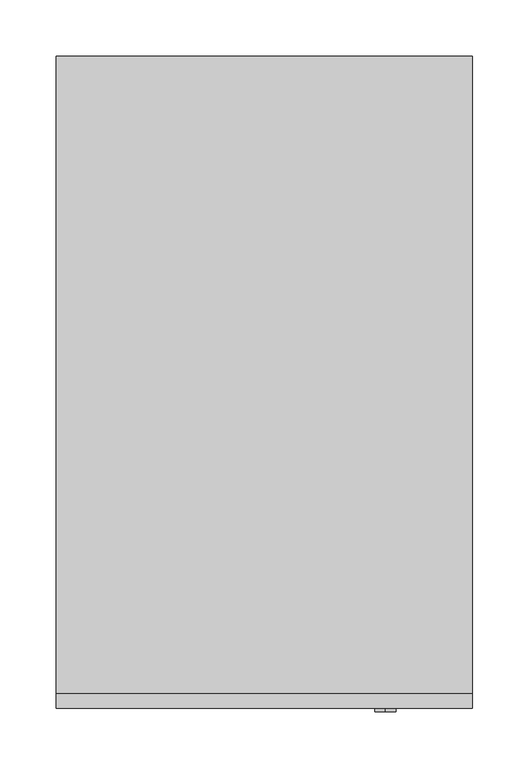
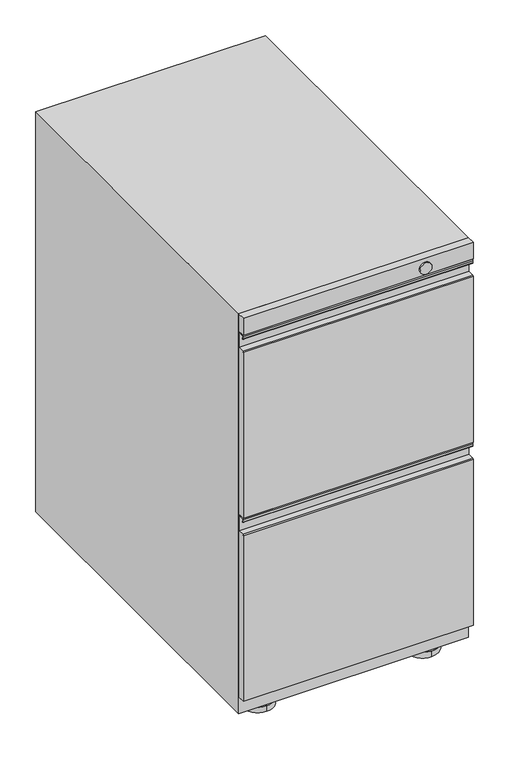
"""IFC4 building model written with IfcOpenShell, lengths in millimetres: furniture geometry."""

from ifc_helpers import new_model, si_unit, point, frame, frame_2d, origin, place, context, project, spatial, polyline, circle_curve, trimmed, segment, composite_curve, outline, extrude, source, transform, mapped, element, save
from ifc_brep_helpers import plane_surface, cylinder_surface, advanced_brep


def furniture_baf52285(model_context):
    return source(origin(), model_context, "Body", "SolidModel", [
        advanced_brep(
        [(133.35, 274.7009902, 9.525), (133.35, 223.9009932, 9.525), (133.35, 249.3009917, 9.525), (133.35, 274.7009902, 0.0), (133.35, 223.9009932, 0.0), (133.35, 249.3009917, 0.0)],
        [
            (0, 1, circle_curve(frame((133.35, 249.3009917, 9.525), z_axis=(0.0, 0.0, 1.0), x_axis=(0.0, -1.0, 0.0)), 25.3999985)),
            (1, 2),
            (2, 0),
            (1, 0, circle_curve(frame((133.35, 249.3009917, 9.525), z_axis=(0.0, 0.0, 1.0), x_axis=(0.0, -1.0, 0.0)), 25.3999985)),
            (3, 4, circle_curve(frame((133.35, 249.3009917, 0.0), z_axis=(0.0, 0.0, 1.0), x_axis=(0.0, -1.0, 0.0)), 25.3999985)),
            (4, 1),
            (0, 3),
            (4, 3, circle_curve(frame((133.35, 249.3009917, 0.0), z_axis=(0.0, 0.0, 1.0), x_axis=(0.0, -1.0, 0.0)), 25.3999985)),
            (5, 4),
            (3, 5),
        ],
        [
            plane_surface(frame((133.35, 249.3009917, 9.525), z_axis=(0.0, 0.0, 1.0), x_axis=(0.0, -1.0, 0.0))),
            cylinder_surface(frame((133.35, 249.3009917, 0.0), z_axis=(0.0, 0.0, -1.0), x_axis=(0.0, -1.0, 0.0)), 25.3999985),
            plane_surface(frame((133.35, 249.3009917, 0.0), z_axis=(0.0, 0.0, -1.0), x_axis=(0.0, -1.0, 0.0))),
        ],
        [
            (0, [[1, 2, 3]]),
            (0, [[4, -3, -2]]),
            (1, [[5, 6, -1, 7]]),
            (1, [[8, -7, -4, -6]]),
            (2, [[9, -5, 10]]),
            (2, [[-10, -8, -9]]),
        ],
    ),
        advanced_brep(
        [(133.35, -214.3760098, 9.525), (133.35, -265.1760068, 9.525), (133.35, -239.7760083, 9.525), (133.35, -214.3760098, 0.0), (133.35, -265.1760068, 0.0), (133.35, -239.7760083, 0.0)],
        [
            (0, 1, circle_curve(frame((133.35, -239.7760083, 9.525), z_axis=(0.0, 0.0, 1.0), x_axis=(0.0, -1.0, 0.0)), 25.3999985)),
            (1, 2),
            (2, 0),
            (1, 0, circle_curve(frame((133.35, -239.7760083, 9.525), z_axis=(0.0, 0.0, 1.0), x_axis=(0.0, -1.0, 0.0)), 25.3999985)),
            (3, 4, circle_curve(frame((133.35, -239.7760083, 0.0), z_axis=(0.0, 0.0, 1.0), x_axis=(0.0, -1.0, 0.0)), 25.3999985)),
            (4, 1),
            (0, 3),
            (4, 3, circle_curve(frame((133.35, -239.7760083, 0.0), z_axis=(0.0, 0.0, 1.0), x_axis=(0.0, -1.0, 0.0)), 25.3999985)),
            (5, 4),
            (3, 5),
        ],
        [
            plane_surface(frame((133.35, -239.7760083, 9.525), z_axis=(0.0, 0.0, 1.0), x_axis=(0.0, -1.0, 0.0))),
            cylinder_surface(frame((133.35, -239.7760083, 0.0), z_axis=(0.0, 0.0, -1.0), x_axis=(0.0, -1.0, 0.0)), 25.3999985),
            plane_surface(frame((133.35, -239.7760083, 0.0), z_axis=(0.0, 0.0, -1.0), x_axis=(0.0, -1.0, 0.0))),
        ],
        [
            (0, [[1, 2, 3]]),
            (0, [[4, -3, -2]]),
            (1, [[5, 6, -1, 7]]),
            (1, [[8, -7, -4, -6]]),
            (2, [[9, -5, 10]]),
            (2, [[-10, -8, -9]]),
        ],
    ),
        advanced_brep(
        [(-133.35, -214.3760098, 9.525), (-133.35, -265.1760068, 9.525), (-133.35, -239.7760083, 9.525), (-133.35, -214.3760098, 0.0), (-133.35, -265.1760068, 0.0), (-133.35, -239.7760083, 0.0)],
        [
            (0, 1, circle_curve(frame((-133.35, -239.7760083, 9.525), z_axis=(0.0, 0.0, 1.0), x_axis=(0.0, -1.0, 0.0)), 25.3999985)),
            (1, 2),
            (2, 0),
            (1, 0, circle_curve(frame((-133.35, -239.7760083, 9.525), z_axis=(0.0, 0.0, 1.0), x_axis=(0.0, -1.0, 0.0)), 25.3999985)),
            (3, 4, circle_curve(frame((-133.35, -239.7760083, 0.0), z_axis=(0.0, 0.0, 1.0), x_axis=(0.0, -1.0, 0.0)), 25.3999985)),
            (4, 1),
            (0, 3),
            (4, 3, circle_curve(frame((-133.35, -239.7760083, 0.0), z_axis=(0.0, 0.0, 1.0), x_axis=(0.0, -1.0, 0.0)), 25.3999985)),
            (5, 4),
            (3, 5),
        ],
        [
            plane_surface(frame((-133.35, -239.7760083, 9.525), z_axis=(0.0, 0.0, 1.0), x_axis=(0.0, -1.0, 0.0))),
            cylinder_surface(frame((-133.35, -239.7760083, 0.0), z_axis=(0.0, 0.0, -1.0), x_axis=(0.0, -1.0, 0.0)), 25.3999985),
            plane_surface(frame((-133.35, -239.7760083, 0.0), z_axis=(0.0, 0.0, -1.0), x_axis=(0.0, -1.0, 0.0))),
        ],
        [
            (0, [[1, 2, 3]]),
            (0, [[4, -3, -2]]),
            (1, [[5, 6, -1, 7]]),
            (1, [[8, -7, -4, -6]]),
            (2, [[9, -5, 10]]),
            (2, [[-10, -8, -9]]),
        ],
    ),
        advanced_brep(
        [(-133.35, 274.7009902, 9.525), (-133.35, 223.9009932, 9.525), (-133.35, 249.3009917, 9.525), (-133.35, 274.7009902, 0.0), (-133.35, 223.9009932, 0.0), (-133.35, 249.3009917, 0.0)],
        [
            (0, 1, circle_curve(frame((-133.35, 249.3009917, 9.525), z_axis=(0.0, 0.0, 1.0), x_axis=(0.0, -1.0, 0.0)), 25.3999985)),
            (1, 2),
            (2, 0),
            (1, 0, circle_curve(frame((-133.35, 249.3009917, 9.525), z_axis=(0.0, 0.0, 1.0), x_axis=(0.0, -1.0, 0.0)), 25.3999985)),
            (3, 4, circle_curve(frame((-133.35, 249.3009917, 0.0), z_axis=(0.0, 0.0, 1.0), x_axis=(0.0, -1.0, 0.0)), 25.3999985)),
            (4, 1),
            (0, 3),
            (4, 3, circle_curve(frame((-133.35, 249.3009917, 0.0), z_axis=(0.0, 0.0, 1.0), x_axis=(0.0, -1.0, 0.0)), 25.3999985)),
            (5, 4),
            (3, 5),
        ],
        [
            plane_surface(frame((-133.35, 249.3009917, 9.525), z_axis=(0.0, 0.0, 1.0), x_axis=(0.0, -1.0, 0.0))),
            cylinder_surface(frame((-133.35, 249.3009917, 0.0), z_axis=(0.0, 0.0, -1.0), x_axis=(0.0, -1.0, 0.0)), 25.3999985),
            plane_surface(frame((-133.35, 249.3009917, 0.0), z_axis=(0.0, 0.0, -1.0), x_axis=(0.0, -1.0, 0.0))),
        ],
        [
            (0, [[1, 2, 3]]),
            (0, [[4, -3, -2]]),
            (1, [[5, 6, -1, 7]]),
            (1, [[8, -7, -4, -6]]),
            (2, [[9, -5, 10]]),
            (2, [[-10, -8, -9]]),
        ],
    ),
        advanced_brep(
        [(185.7375, -289.4031699, 335.0696782), (185.7375, -290.5759758, 333.8968723), (185.7375, -290.576, 50.8), (185.7375, -277.8759516, 50.8), (185.7375, -277.8759516, 360.398449), (185.7375, -279.4275147, 361.9500121), (185.7375, -288.8084988, 361.9500121), (185.7375, -290.3593495, 360.3991614), (185.7375, -290.3593495, 356.7934196), (185.7375, -287.9801911, 356.9289975), (185.7375, -289.5978404, 356.8369029), (185.7375, -289.5980437, 360.4001681), (185.7375, -288.8106644, 361.1876201), (185.7375, -279.4253361, 361.1876201), (185.7375, -278.6370869, 360.3974066), (185.7375, -278.6370869, 335.0696782), (-185.7375, -289.4031699, 335.0696782), (-185.7375, -278.6370869, 335.0696782), (-185.7375, -278.6370869, 360.3974066), (-185.7375, -279.4253361, 361.1876201), (-185.7375, -288.8106644, 361.1876201), (-185.7375, -289.5980437, 360.4001681), (-185.7375, -289.5978404, 356.8369029), (-185.7375, -287.9801911, 356.9289975), (-185.7375, -290.3593495, 356.7934196), (-185.7375, -290.3593495, 360.3991614), (-185.7375, -288.8084988, 361.9500121), (-185.7375, -279.4275147, 361.9500121), (-185.7375, -277.8759516, 360.398449), (-185.7375, -277.8759516, 50.8), (-185.7375, -290.576, 50.8), (-185.7375, -290.576, 333.8968723)],
        [
            (0, 1, circle_curve(frame((185.7375, -289.4031699, 333.8968723), z_axis=(1.0, 0.0, 0.0), x_axis=(0.0, 1.0, 0.0)), 1.1728058)),
            (1, 2),
            (2, 3),
            (3, 4),
            (4, 5, circle_curve(frame((185.7375, -279.4275147, 360.398449), z_axis=(1.0, 0.0, 0.0), x_axis=(0.0, 1.0, 0.0)), 1.5515631)),
            (5, 6),
            (6, 7, circle_curve(frame((185.7375, -288.8084988, 360.3991614), z_axis=(1.0, 0.0, 0.0), x_axis=(0.0, 1.0, 0.0)), 1.5508507)),
            (7, 8),
            (8, 9, circle_curve(frame((185.7375, -289.1659073, 356.7934196), z_axis=(1.0, 0.0, 0.0), x_axis=(0.0, 1.0, 0.0)), 1.1934422)),
            (9, 10),
            (10, 11),
            (11, 12),
            (12, 13),
            (13, 14),
            (14, 15),
            (15, 0),
            (16, 17),
            (17, 18),
            (18, 19),
            (19, 20),
            (20, 21),
            (21, 22),
            (22, 23),
            (23, 24, circle_curve(frame((-185.7375, -289.1659073, 356.7934196), z_axis=(-1.0, 0.0, 0.0), x_axis=(0.0, 1.0, 0.0)), 1.1934422)),
            (24, 25),
            (25, 26, circle_curve(frame((-185.7375, -288.8084988, 360.3991614), z_axis=(-1.0, 0.0, 0.0), x_axis=(0.0, 1.0, 0.0)), 1.5508507)),
            (26, 27),
            (27, 28, circle_curve(frame((-185.7375, -279.4275147, 360.398449), z_axis=(-1.0, 0.0, 0.0), x_axis=(0.0, 1.0, 0.0)), 1.5515631)),
            (28, 29),
            (29, 30),
            (30, 31),
            (31, 16, circle_curve(frame((-185.7375, -289.4031699, 333.8968723), z_axis=(-1.0, 0.0, 0.0), x_axis=(0.0, 1.0, 0.0)), 1.1728058)),
            (0, 16),
            (31, 1),
            (30, 2),
            (29, 3),
            (28, 4),
            (27, 5),
            (26, 6),
            (25, 7),
            (24, 8),
            (23, 9),
            (22, 10),
            (21, 11),
            (20, 12),
            (19, 13),
            (18, 14),
            (17, 15),
        ],
        [
            plane_surface(frame((185.7375, -288.2303641, 333.8968723), z_axis=(1.0, 0.0, 0.0), x_axis=(0.0, 0.0, 1.0))),
            plane_surface(frame((-185.7375, -288.2303641, 333.8968723), z_axis=(-1.0, 0.0, 0.0), x_axis=(0.0, 0.0, -1.0))),
            cylinder_surface(frame((-185.7375, -289.4031699, 333.8968723), z_axis=(1.0, 0.0, 0.0), x_axis=(0.0, 1.0, 0.0)), 1.1728058),
            plane_surface(frame((185.7375, -290.576, 333.8968723), z_axis=(0.0, -1.0, 0.0), x_axis=(-1.0, 0.0, 0.0))),
            plane_surface(frame((185.7375, -290.576, 50.8), z_axis=(0.0, 0.0, -1.0), x_axis=(-1.0, 0.0, 0.0))),
            plane_surface(frame((185.7375, -277.8759516, 50.8), z_axis=(0.0, 1.0, 0.0), x_axis=(-1.0, 0.0, 0.0))),
            cylinder_surface(frame((-185.7375, -279.4275147, 360.398449), z_axis=(1.0, 0.0, 0.0), x_axis=(0.0, 1.0, 0.0)), 1.5515631),
            plane_surface(frame((185.7375, -279.4275147, 361.9500121), z_axis=(0.0, 0.0, 1.0), x_axis=(-1.0, 0.0, 0.0))),
            cylinder_surface(frame((-185.7375, -288.8084988, 360.3991614), z_axis=(1.0, 0.0, 0.0), x_axis=(0.0, 1.0, 0.0)), 1.5508507),
            plane_surface(frame((185.7375, -290.3593495, 360.3991614), z_axis=(0.0, -1.0, 0.0), x_axis=(-1.0, 0.0, 0.0))),
            cylinder_surface(frame((-185.7375, -289.1659073, 356.7934196), z_axis=(1.0, 0.0, 0.0), x_axis=(0.0, 1.0, 0.0)), 1.1934422),
            plane_surface(frame((185.7375, -287.9801911, 356.9289975), z_axis=(0.0, -0.05683911841533976, 0.9983833505311309), x_axis=(-1.0, 0.0, 0.0))),
            plane_surface(frame((185.7375, -289.5978404, 356.8369029), z_axis=(0.0, 0.99999999837299, 5.704401746832339e-05), x_axis=(-1.0, 0.0, 0.0))),
            plane_surface(frame((185.7375, -289.5980437, 360.4001681), z_axis=(0.0, 0.7071394096054413, -0.707074151261993), x_axis=(-1.0, 0.0, 0.0))),
            plane_surface(frame((185.7375, -288.8106644, 361.1876201), z_axis=(0.0, 0.0, -1.0), x_axis=(-1.0, 0.0, 0.0))),
            plane_surface(frame((185.7375, -279.4253361, 361.1876201), z_axis=(0.0, -0.707986164937389, -0.7062263024394152), x_axis=(-1.0, 0.0, 0.0))),
            plane_surface(frame((185.7375, -278.6370869, 360.3974066), z_axis=(0.0, -1.0, 0.0), x_axis=(-1.0, 0.0, 0.0))),
            plane_surface(frame((185.7375, -278.6370869, 335.0696782), z_axis=(0.0, 0.0, 1.0), x_axis=(-1.0, 0.0, 0.0))),
        ],
        [
            (0, [[1, 2, 3, 4, 5, 6, 7, 8, 9, 10, 11, 12, 13, 14, 15, 16]]),
            (1, [[17, 18, 19, 20, 21, 22, 23, 24, 25, 26, 27, 28, 29, 30, 31, 32]]),
            (2, [[-1, 33, -32, 34]]),
            (3, [[-2, -34, -31, 35]]),
            (4, [[-3, -35, -30, 36]]),
            (5, [[-4, -36, -29, 37]]),
            (6, [[-5, -37, -28, 38]]),
            (7, [[-6, -38, -27, 39]]),
            (8, [[-7, -39, -26, 40]]),
            (9, [[-8, -40, -25, 41]]),
            (10, [[-9, -41, -24, 42]]),
            (11, [[-10, -42, -23, 43]]),
            (12, [[-11, -43, -22, 44]]),
            (13, [[-12, -44, -21, 45]]),
            (14, [[-13, -45, -20, 46]]),
            (15, [[-14, -46, -19, 47]]),
            (16, [[-15, -47, -18, 48]]),
            (17, [[-16, -48, -17, -33]]),
        ],
    ),
        advanced_brep(
        [(185.7375, -289.4031699, 647.8071774), (185.7375, -290.5759758, 646.6343716), (185.7375, -290.576, 363.5374992), (185.7375, -277.8759516, 363.5374992), (185.7375, -277.8759516, 673.1359482), (185.7375, -279.4275147, 674.6875114), (185.7375, -288.8084988, 674.6875114), (185.7375, -290.3593495, 673.1366607), (185.7375, -290.3593495, 669.5309189), (185.7375, -287.9801911, 669.6664968), (185.7375, -289.5978404, 669.5744021), (185.7375, -289.5980437, 673.1376674), (185.7375, -288.8106644, 673.9251193), (185.7375, -279.4253361, 673.9251193), (185.7375, -278.6370869, 673.1349058), (185.7375, -278.6370869, 647.8071774), (-185.7375, -289.4031699, 647.8071774), (-185.7375, -278.6370869, 647.8071774), (-185.7375, -278.6370869, 673.1349058), (-185.7375, -279.4253361, 673.9251193), (-185.7375, -288.8106644, 673.9251193), (-185.7375, -289.5980437, 673.1376674), (-185.7375, -289.5978404, 669.5744021), (-185.7375, -287.9801911, 669.6664968), (-185.7375, -290.3593495, 669.5309189), (-185.7375, -290.3593495, 673.1366607), (-185.7375, -288.8084988, 674.6875114), (-185.7375, -279.4275147, 674.6875114), (-185.7375, -277.8759516, 673.1359482), (-185.7375, -277.8759516, 363.5374992), (-185.7375, -290.576, 363.5374992), (-185.7375, -290.576, 646.6343716)],
        [
            (0, 1, circle_curve(frame((185.7375, -289.4031699, 646.6343716), z_axis=(1.0, 0.0, 0.0), x_axis=(0.0, 1.0, 0.0)), 1.1728058)),
            (1, 2),
            (2, 3),
            (3, 4),
            (4, 5, circle_curve(frame((185.7375, -279.4275147, 673.1359482), z_axis=(1.0, 0.0, 0.0), x_axis=(0.0, 1.0, 0.0)), 1.5515631)),
            (5, 6),
            (6, 7, circle_curve(frame((185.7375, -288.8084988, 673.1366607), z_axis=(1.0, 0.0, 0.0), x_axis=(0.0, 1.0, 0.0)), 1.5508507)),
            (7, 8),
            (8, 9, circle_curve(frame((185.7375, -289.1659073, 669.5309189), z_axis=(1.0, 0.0, 0.0), x_axis=(0.0, 1.0, 0.0)), 1.1934422)),
            (9, 10),
            (10, 11),
            (11, 12),
            (12, 13),
            (13, 14),
            (14, 15),
            (15, 0),
            (16, 17),
            (17, 18),
            (18, 19),
            (19, 20),
            (20, 21),
            (21, 22),
            (22, 23),
            (23, 24, circle_curve(frame((-185.7375, -289.1659073, 669.5309189), z_axis=(-1.0, 0.0, 0.0), x_axis=(0.0, 1.0, 0.0)), 1.1934422)),
            (24, 25),
            (25, 26, circle_curve(frame((-185.7375, -288.8084988, 673.1366607), z_axis=(-1.0, 0.0, 0.0), x_axis=(0.0, 1.0, 0.0)), 1.5508507)),
            (26, 27),
            (27, 28, circle_curve(frame((-185.7375, -279.4275147, 673.1359482), z_axis=(-1.0, 0.0, 0.0), x_axis=(0.0, 1.0, 0.0)), 1.5515631)),
            (28, 29),
            (29, 30),
            (30, 31),
            (31, 16, circle_curve(frame((-185.7375, -289.4031699, 646.6343716), z_axis=(-1.0, 0.0, 0.0), x_axis=(0.0, 1.0, 0.0)), 1.1728058)),
            (0, 16),
            (31, 1),
            (30, 2),
            (29, 3),
            (28, 4),
            (27, 5),
            (26, 6),
            (25, 7),
            (24, 8),
            (23, 9),
            (22, 10),
            (21, 11),
            (20, 12),
            (19, 13),
            (18, 14),
            (17, 15),
        ],
        [
            plane_surface(frame((185.7375, -288.2303641, 646.6343716), z_axis=(1.0, 0.0, 0.0), x_axis=(0.0, 0.0, 1.0))),
            plane_surface(frame((-185.7375, -288.2303641, 646.6343716), z_axis=(-1.0, 0.0, 0.0), x_axis=(0.0, 0.0, -1.0))),
            cylinder_surface(frame((-185.7375, -289.4031699, 646.6343716), z_axis=(1.0, 0.0, 0.0), x_axis=(0.0, 1.0, 0.0)), 1.1728058),
            plane_surface(frame((185.7375, -290.576, 646.6343716), z_axis=(0.0, -1.0, 0.0), x_axis=(-1.0, 0.0, 0.0))),
            plane_surface(frame((185.7375, -290.576, 363.5374992), z_axis=(0.0, 0.0, -1.0), x_axis=(-1.0, 0.0, 0.0))),
            plane_surface(frame((185.7375, -277.8759516, 363.5374992), z_axis=(0.0, 1.0, 0.0), x_axis=(-1.0, 0.0, 0.0))),
            cylinder_surface(frame((-185.7375, -279.4275147, 673.1359482), z_axis=(1.0, 0.0, 0.0), x_axis=(0.0, 1.0, 0.0)), 1.5515631),
            plane_surface(frame((185.7375, -279.4275147, 674.6875114), z_axis=(0.0, 0.0, 1.0), x_axis=(-1.0, 0.0, 0.0))),
            cylinder_surface(frame((-185.7375, -288.8084988, 673.1366607), z_axis=(1.0, 0.0, 0.0), x_axis=(0.0, 1.0, 0.0)), 1.5508507),
            plane_surface(frame((185.7375, -290.3593495, 673.1366607), z_axis=(0.0, -1.0, 0.0), x_axis=(-1.0, 0.0, 0.0))),
            cylinder_surface(frame((-185.7375, -289.1659073, 669.5309189), z_axis=(1.0, 0.0, 0.0), x_axis=(0.0, 1.0, 0.0)), 1.1934422),
            plane_surface(frame((185.7375, -287.9801911, 669.6664968), z_axis=(0.0, -0.05683911841533976, 0.9983833505311309), x_axis=(-1.0, 0.0, 0.0))),
            plane_surface(frame((185.7375, -289.5978404, 669.5744021), z_axis=(0.0, 0.9999999983729901, 5.704401746832231e-05), x_axis=(-1.0, 0.0, 0.0))),
            plane_surface(frame((185.7375, -289.5980437, 673.1376674), z_axis=(0.0, 0.7071394096054413, -0.707074151261993), x_axis=(-1.0, 0.0, 0.0))),
            plane_surface(frame((185.7375, -288.8106644, 673.9251193), z_axis=(0.0, 0.0, -1.0), x_axis=(-1.0, 0.0, 0.0))),
            plane_surface(frame((185.7375, -279.4253361, 673.9251193), z_axis=(0.0, -0.707986164937389, -0.7062263024394152), x_axis=(-1.0, 0.0, 0.0))),
            plane_surface(frame((185.7375, -278.6370869, 673.1349058), z_axis=(0.0, -1.0, 0.0), x_axis=(-1.0, 0.0, 0.0))),
            plane_surface(frame((185.7375, -278.6370869, 647.8071774), z_axis=(0.0, 0.0, 1.0), x_axis=(-1.0, 0.0, 0.0))),
        ],
        [
            (0, [[1, 2, 3, 4, 5, 6, 7, 8, 9, 10, 11, 12, 13, 14, 15, 16]]),
            (1, [[17, 18, 19, 20, 21, 22, 23, 24, 25, 26, 27, 28, 29, 30, 31, 32]]),
            (2, [[-1, 33, -32, 34]]),
            (3, [[-2, -34, -31, 35]]),
            (4, [[-3, -35, -30, 36]]),
            (5, [[-4, -36, -29, 37]]),
            (6, [[-5, -37, -28, 38]]),
            (7, [[-6, -38, -27, 39]]),
            (8, [[-7, -39, -26, 40]]),
            (9, [[-8, -40, -25, 41]]),
            (10, [[-9, -41, -24, 42]]),
            (11, [[-10, -42, -23, 43]]),
            (12, [[-11, -43, -22, 44]]),
            (13, [[-12, -44, -21, 45]]),
            (14, [[-13, -45, -20, 46]]),
            (15, [[-14, -46, -19, 47]]),
            (16, [[-15, -47, -18, 48]]),
            (17, [[-16, -48, -17, -33]]),
        ],
    ),
        extrude(outline(composite_curve([segment(trimmed(circle_curve(frame_2d((133.35, -239.7760083)), 12.7), [point((120.65, -239.7760083))], [point((146.05, -239.7760083))], False, "CARTESIAN"), True, "CONTINUOUS"), segment(trimmed(circle_curve(frame_2d((133.35, -239.7760083)), 12.7), [point((146.05, -239.7760083))], [point((120.65, -239.7760083))], False, "CARTESIAN"), True, "CONTINUOUS")], self_intersect=False)), frame((0.0, 0.0, 9.525), z_axis=(0.0, 0.0, 1.0), x_axis=(1.0, 0.0, 0.0)), (0.0, 0.0, 1.0), 12.7),
        extrude(outline(composite_curve([segment(trimmed(circle_curve(frame_2d((-133.35, -239.7760083)), 12.7), [point((-146.05, -239.7760083))], [point((-120.65, -239.7760083))], False, "CARTESIAN"), True, "CONTINUOUS"), segment(trimmed(circle_curve(frame_2d((-133.35, -239.7760083)), 12.7), [point((-120.65, -239.7760083))], [point((-146.05, -239.7760083))], False, "CARTESIAN"), True, "CONTINUOUS")], self_intersect=False)), frame((0.0, 0.0, 9.525), z_axis=(0.0, 0.0, 1.0), x_axis=(1.0, 0.0, 0.0)), (0.0, 0.0, 1.0), 12.7),
        extrude(outline(composite_curve([segment(trimmed(circle_curve(frame_2d((133.35, 249.3009917)), 12.7), [point((120.65, 249.3009917))], [point((146.05, 249.3009917))], False, "CARTESIAN"), True, "CONTINUOUS"), segment(trimmed(circle_curve(frame_2d((133.35, 249.3009917)), 12.7), [point((146.05, 249.3009917))], [point((120.65, 249.3009917))], False, "CARTESIAN"), True, "CONTINUOUS")], self_intersect=False)), frame((0.0, 0.0, 9.525), z_axis=(0.0, 0.0, 1.0), x_axis=(1.0, 0.0, 0.0)), (0.0, 0.0, 1.0), 12.7),
        extrude(outline(composite_curve([segment(trimmed(circle_curve(frame_2d((-133.35, 249.3009917)), 12.7), [point((-146.05, 249.3009917))], [point((-120.65, 249.3009917))], False, "CARTESIAN"), True, "CONTINUOUS"), segment(trimmed(circle_curve(frame_2d((-133.35, 249.3009917)), 12.7), [point((-120.65, 249.3009917))], [point((-146.05, 249.3009917))], False, "CARTESIAN"), True, "CONTINUOUS")], self_intersect=False)), frame((0.0, 0.0, 9.525), z_axis=(0.0, 0.0, 1.0), x_axis=(1.0, 0.0, 0.0)), (0.0, 0.0, 1.0), 12.7),
        extrude(outline(polyline([(185.7375, -277.8759516), (185.7375, -290.576), (-185.7375, -290.576), (-185.7375, -277.8759516), (185.7375, -277.8759516)])), frame((0.0, 0.0, 676.275), z_axis=(0.0, 0.0, 1.0), x_axis=(1.0, 0.0, 0.0)), (0.0, 0.0, 1.0), 28.575),
        extrude(outline(polyline([(185.7375, 290.576), (185.7375, -277.8759516), (-185.7375, -277.8759516), (-185.7375, 290.576), (185.7375, 290.576)])), frame((0.0, 0.0, 22.225), z_axis=(0.0, 0.0, 1.0), x_axis=(1.0, 0.0, 0.0)), (0.0, 0.0, 1.0), 682.625),
        extrude(outline(composite_curve([segment(trimmed(circle_curve(frame_2d((688.9750242, 107.9500242)), 9.525), [point((679.4500242, 107.9500242))], [point((698.5000242, 107.9500242))], False, "CARTESIAN"), True, "CONTINUOUS"), segment(trimmed(circle_curve(frame_2d((688.9750242, 107.9500242)), 9.525), [point((698.5000242, 107.9500242))], [point((679.4500242, 107.9500242))], False, "CARTESIAN"), True, "CONTINUOUS")], self_intersect=False)), frame((0.0, -293.7509879, 0.0), z_axis=(0.0, 1.0, 0.0), x_axis=(0.0, 0.0, 1.0)), (0.0, 0.0, 1.0), 3.1749879),
    ])


if __name__ == "__main__":
    model = new_model("IFC4")
    model_context = context("Model", 3, world=origin())
    ifc_project = project(units=[si_unit("LENGTHUNIT", "METRE", prefix="MILLI")], contexts=[model_context])
    site = spatial("IfcSite", under=ifc_project)
    building = spatial("IfcBuilding", under=site)
    placement = place(None, origin())
    furniture_shape = furniture_baf52285(model_context)
    element("IfcFurniture", 1, at=placement, inside=building, context=model_context, shape_type="MappedRepresentation", body=[
        mapped(furniture_shape, transform((0.0, 0.0, 0.0), x_axis=(1.0, 0.0, 0.0), y_axis=(0.0, 1.0, 0.0), z_axis=(0.0, 0.0, 1.0))),
    ])
    save(model, "model.ifc")
